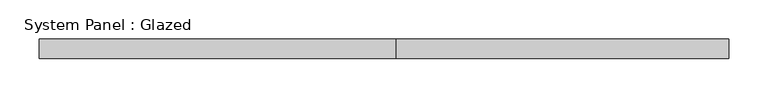
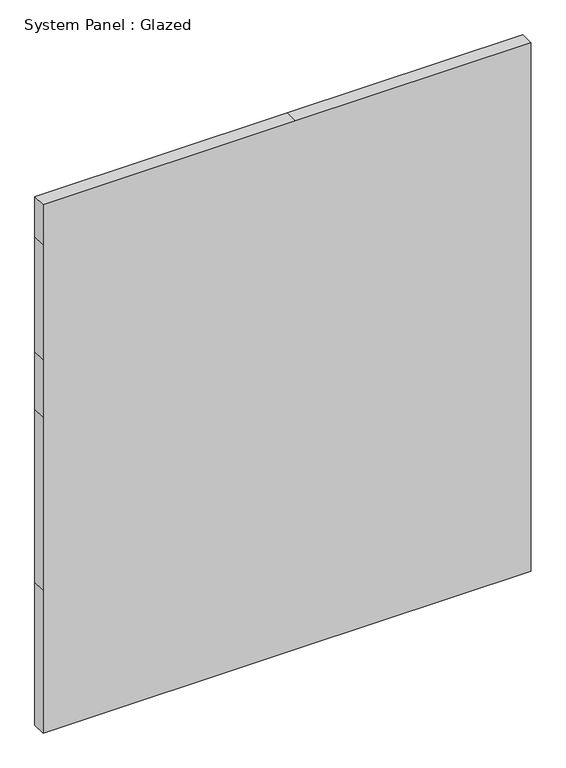
"""IFC4 building model written with IfcOpenShell, lengths in millimetres: plate geometry, System Panel : Glazed."""

import ifcopenshell
import ifcopenshell.guid

model = None  # the IFC model being written
_history = None  # IfcOwnerHistory: only IFC2X3 demands one
_inside = {}  # id of a spatial element -> (the spatial element, [elements in it])
_under = {}  # id of a project, library or spatial element -> (it, [spatial elements below it])
_declared = {}  # id of a project -> (the project, [libraries it declares])
_typed = {}  # id of a type object -> (the type object, [elements of that type])
_made_of = {}  # id of a material, layer set ... -> (it, [elements and type objects made of it])


def new_model(schema):
    """Start an empty IFC model of exactly this schema.

    Asked for "IFC4X3", IfcOpenShell would pick the latest addendum, in which some entities
    have other attributes; the version numbers below select the first issue.
    IFC2X3 requires an IfcOwnerHistory on every rooted entity: one is made here for all.
    """
    global model, _history
    if schema == "IFC4X3":
        model = ifcopenshell.file(schema_version=(4, 3, 0, 0))
    else:
        model = ifcopenshell.file(schema=schema)
    _inside.clear()
    _under.clear()
    _declared.clear()
    _typed.clear()
    _made_of.clear()
    _history = None
    if model.schema == "IFC2X3":
        org = make("IfcOrganization", Name="unknown")
        user = make(
            "IfcPersonAndOrganization",
            ThePerson=make("IfcPerson", FamilyName="unknown"),
            TheOrganization=org,
        )
        app = make(
            "IfcApplication",
            ApplicationDeveloper=org,
            Version="unknown",
            ApplicationFullName="unknown",
            ApplicationIdentifier="unknown",
        )
        _history = make(
            "IfcOwnerHistory",
            OwningUser=user,
            OwningApplication=app,
            ChangeAction="ADDED",
            CreationDate=0,
        )
    return model


def make(cls, **values):
    """One entity of the class cls with the attributes given. An attribute that is None is left unset."""
    return model.create_entity(
        cls, **{name: value for name, value in values.items() if value is not None}
    )


def rooted(cls, **values):
    """An entity with a GlobalId (a new one), such as an element, a storey or a relation."""
    return make(cls, GlobalId=ifcopenshell.guid.new(), OwnerHistory=_history, **values)


def si_unit(unit_type, name, prefix=None):
    """IfcSIUnit, for example si_unit("LENGTHUNIT", "METRE", prefix="MILLI")."""
    return make("IfcSIUnit", UnitType=unit_type, Prefix=prefix, Name=name)


def assignment(units):
    """IfcUnitAssignment: the units of a project."""
    return None if units is None else make("IfcUnitAssignment", Units=units)


def point(xyz):
    """IfcCartesianPoint."""
    return None if xyz is None else make("IfcCartesianPoint", Coordinates=xyz)


def direction(xyz):
    """IfcDirection."""
    return None if xyz is None else make("IfcDirection", DirectionRatios=xyz)


def frame(location, z_axis=None, x_axis=None):
    """IfcAxis2Placement3D, a coordinate frame: its origin and axes. An axis left out is left unset."""
    return make(
        "IfcAxis2Placement3D",
        Location=point(location),
        Axis=direction(z_axis),
        RefDirection=direction(x_axis),
    )


def origin():
    """The frame at (0, 0, 0) with its axes left unset."""
    return frame((0.0, 0.0, 0.0))


def place(relative_to, where):
    """IfcLocalPlacement: puts the frame where relative to a parent placement (None: the world)."""
    return make(
        "IfcLocalPlacement", PlacementRelTo=relative_to, RelativePlacement=where
    )


def context(
    kind, dimensions, precision=None, world=None, true_north=None, identifier=None
):
    """IfcGeometricRepresentationContext, for example the 3D "Model" context."""
    return make(
        "IfcGeometricRepresentationContext",
        ContextIdentifier=identifier,
        ContextType=kind,
        CoordinateSpaceDimension=dimensions,
        Precision=precision,
        WorldCoordinateSystem=world,
        TrueNorth=true_north,
    )


def project(units=None, contexts=None):
    """IfcProject with its units and contexts."""
    return rooted(
        "IfcProject",
        Name="project",
        RepresentationContexts=contexts,
        UnitsInContext=assignment(units),
    )


def spatial(cls, under=None, at=None, **own):
    """A site, building, storey or space (cls), placed at a placement, below another one or the project."""
    s = rooted(cls, ObjectPlacement=at, **own)
    if under is not None:
        _under.setdefault(under.id(), (under, []))[1].append(s)
    return s


def polyline(points):
    """IfcPolyline through the points."""
    return make("IfcPolyline", Points=[point(p) for p in points])


def outline(outer, holes=None, kind="AREA"):
    """IfcArbitraryClosedProfileDef: a profile drawn as a closed curve; with holes, ...WithVoids."""
    if holes is None:
        return make("IfcArbitraryClosedProfileDef", ProfileType=kind, OuterCurve=outer)
    return make(
        "IfcArbitraryProfileDefWithVoids",
        ProfileType=kind,
        OuterCurve=outer,
        InnerCurves=holes,
    )


def extrude(swept, where, along, depth):
    """IfcExtrudedAreaSolid: the profile swept, set in the frame where, extruded along a direction by depth."""
    return make(
        "IfcExtrudedAreaSolid",
        SweptArea=swept,
        Position=where,
        ExtrudedDirection=direction(along),
        Depth=depth,
    )


def shape(context_of_items, identifier, shape_type, items):
    """IfcShapeRepresentation: the items that make up one representation, for example the "Body"."""
    return make(
        "IfcShapeRepresentation",
        ContextOfItems=context_of_items,
        RepresentationIdentifier=identifier,
        RepresentationType=shape_type,
        Items=items,
    )


def source(mapping_origin, context_of_items, identifier, shape_type, items):
    """IfcRepresentationMap: a shape defined once, which mapped items show again and again."""
    return make(
        "IfcRepresentationMap",
        MappingOrigin=mapping_origin,
        MappedRepresentation=shape(context_of_items, identifier, shape_type, items),
    )


def transform(
    local_origin,
    x_axis=None,
    y_axis=None,
    z_axis=None,
    scale=None,
    scale2=None,
    scale3=None,
    uniform=True,
):
    """IfcCartesianTransformationOperator3D, or its non-uniform kind. x_axis, y_axis, z_axis: its Axis1, 2, 3."""
    if uniform:
        return make(
            "IfcCartesianTransformationOperator3D",
            Axis1=direction(x_axis),
            Axis2=direction(y_axis),
            LocalOrigin=point(local_origin),
            Scale=scale,
            Axis3=direction(z_axis),
        )
    return make(
        "IfcCartesianTransformationOperator3DnonUniform",
        Axis1=direction(x_axis),
        Axis2=direction(y_axis),
        LocalOrigin=point(local_origin),
        Scale=scale,
        Axis3=direction(z_axis),
        Scale2=scale2,
        Scale3=scale3,
    )


def mapped(mapping_source, mapping_target):
    """IfcMappedItem: shows the shape of a source again, moved by a transform."""
    return make(
        "IfcMappedItem", MappingSource=mapping_source, MappingTarget=mapping_target
    )


def made_of(thing, what):
    """Note that an element or type object is made of a material, layer set ...; save() writes the relation."""
    if what is not None:
        _made_of.setdefault(what.id(), (what, []))[1].append(thing)
    return thing


def element(
    cls,
    number,
    at=None,
    inside=None,
    cuts=None,
    type_object=None,
    material=None,
    context=None,
    identifier="Body",
    shape_type=None,
    held_by="IfcProductDefinitionShape",
    body=None,
    shapes=None,
    **own,
):
    """One element of the class cls, such as IfcWall. Its Tag is "e" and its number.

    at: its placement. inside: the storey or other place that contains it. cuts: it is an
    opening in that element (IfcRelVoidsElement). A single representation is given by context,
    identifier, shape_type and body (its items); several are given by shapes. held_by: the class
    of the entity that holds the representations. save() writes the other relations.
    """
    e = rooted(cls, Tag="e%d" % number, ObjectPlacement=at, **own)
    if body is not None:
        shapes = [shape(context, identifier, shape_type, body)]
    if shapes is not None:
        e.Representation = make(held_by, Representations=shapes)
    if inside is not None:
        _inside.setdefault(inside.id(), (inside, []))[1].append(e)
    if cuts is not None:
        rooted(
            "IfcRelVoidsElement", RelatingBuildingElement=cuts, RelatedOpeningElement=e
        )
    if type_object is not None:
        _typed.setdefault(type_object.id(), (type_object, []))[1].append(e)
    return made_of(e, material)


def aggregate(whole, parts):
    """IfcRelAggregates: a whole, such as a stair, and the parts it consists of."""
    return rooted("IfcRelAggregates", RelatingObject=whole, RelatedObjects=parts)


def save(model, path):
    """Write the relations noted so far, then the file.

    IfcRelAggregates (storeys below a building ...), IfcRelContainedInSpatialStructure (elements
    in a storey), IfcRelDefinesByType, IfcRelAssociatesMaterial and IfcRelDeclares: one each for
    every whole, place, type object, material and project.
    """
    for whole, parts in _under.values():
        aggregate(whole, parts)
    for where, things in _inside.values():
        rooted(
            "IfcRelContainedInSpatialStructure",
            RelatedElements=things,
            RelatingStructure=where,
        )
    for kind, things in _typed.values():
        rooted("IfcRelDefinesByType", RelatedObjects=things, RelatingType=kind)
    for what, things in _made_of.values():
        rooted("IfcRelAssociatesMaterial", RelatedObjects=things, RelatingMaterial=what)
    for by, libraries in _declared.values():
        rooted("IfcRelDeclares", RelatingContext=by, RelatedDefinitions=libraries)
    model.write(path)


def system_panel_glazed_494df1b8(model_context):
    return source(origin(), model_context, "Body", "SweptSolid", [
        extrude(outline(polyline([(0.0, -441.325), (0.0, 15.875), (0.0, 441.325), (273.05, 441.325), (603.25, 441.325), (713.3166667, 441.325), (933.45, 441.325), (1009.65, 441.325), (1009.65, 15.875), (1009.65, -441.325), (933.45, -441.325), (713.3166667, -441.325), (603.25, -441.325), (273.05, -441.325), (0.0, -441.325)])), frame((0.0, 19.05, 0.0), z_axis=(0.0, 1.0, 0.0), x_axis=(0.0, 0.0, 1.0)), (0.0, 0.0, 1.0), 25.4),
    ])


if __name__ == "__main__":
    model = new_model("IFC4")
    model_context = context("Model", 3, world=origin())
    ifc_project = project(units=[si_unit("LENGTHUNIT", "METRE", prefix="MILLI")], contexts=[model_context])
    site = spatial("IfcSite", under=ifc_project)
    building = spatial("IfcBuilding", under=site)
    placement = place(None, origin())
    system_panel_glazed_shape = system_panel_glazed_494df1b8(model_context)
    element("IfcPlate", 1, ObjectType="System Panel : Glazed", at=placement, inside=building, context=model_context, shape_type="MappedRepresentation", body=[
        mapped(system_panel_glazed_shape, transform((0.0, 0.0, 0.0), x_axis=(1.0, 0.0, 0.0), y_axis=(0.0, 1.0, 0.0), z_axis=(0.0, 0.0, 1.0))),
    ])
    save(model, "model.ifc")
